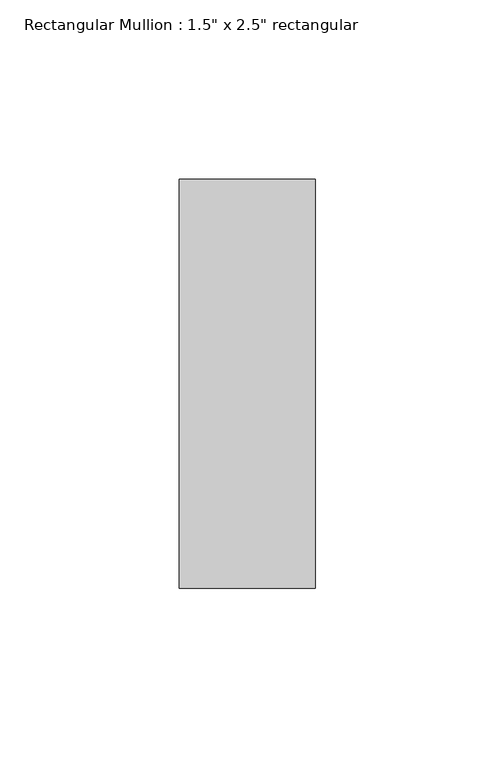
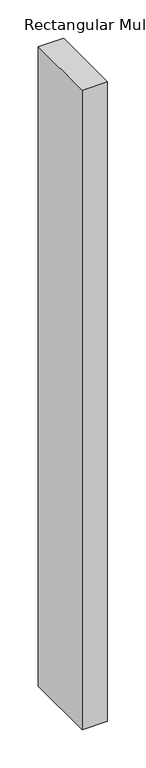
"""IFC4 building model written with IfcOpenShell, lengths in millimetres: member geometry."""

from ifc_helpers import new_model, si_unit, frame, origin, place, context, project, spatial, polyline, outline, extrude, source, transform, mapped, element, save


def member_08604552(model_context):
    return source(origin(), model_context, "Body", "SweptSolid", [
        extrude(outline(polyline([(0.0, 57.15), (0.0, -57.15), (-38.1, -57.15), (-38.1, 57.15), (0.0, 57.15)])), frame((0.0, 0.0, -1019.175), z_axis=(0.0, 0.0, 1.0), x_axis=(1.0, 0.0, 0.0)), (0.0, 0.0, 1.0), 1019.175),
    ])


if __name__ == "__main__":
    model = new_model("IFC4")
    model_context = context("Model", 3, world=origin())
    ifc_project = project(units=[si_unit("LENGTHUNIT", "METRE", prefix="MILLI")], contexts=[model_context])
    site = spatial("IfcSite", under=ifc_project)
    building = spatial("IfcBuilding", under=site)
    placement = place(None, origin())
    member_shape = member_08604552(model_context)
    element("IfcMember", 1, ObjectType="Rectangular Mullion : 1.5\" x 2.5\" rectangular", at=placement, inside=building, context=model_context, shape_type="MappedRepresentation", body=[
        mapped(member_shape, transform((0.0, 0.0, 0.0), x_axis=(1.0, 0.0, 0.0), y_axis=(0.0, 1.0, 0.0), z_axis=(0.0, 0.0, 1.0))),
    ])
    save(model, "model.ifc")
